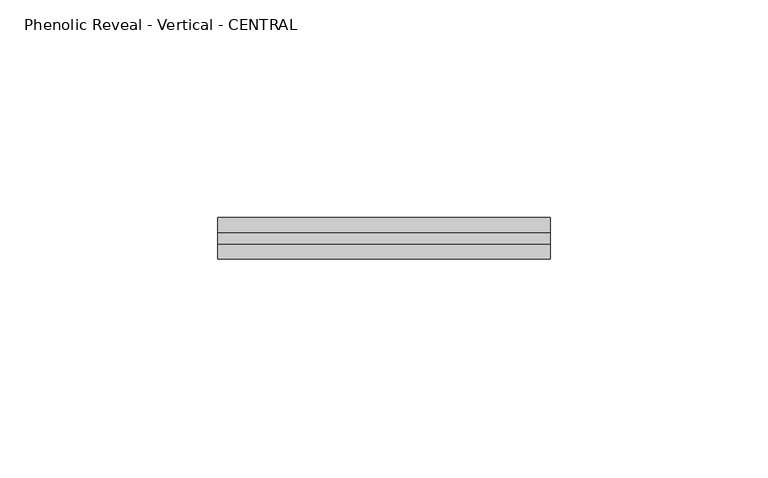
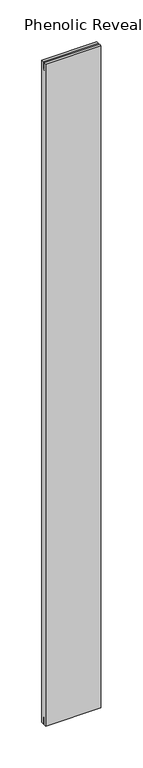
"""IFC4 building model written with IfcOpenShell, lengths in millimetres: proxy geometry, Phenolic Reveal - Vertical - CENTRAL."""

from ifc_helpers import new_model, si_unit, frame, origin, place, context, project, spatial, polyline, outline, extrude, source, transform, mapped, element, save


def phenolic_reveal_vertical_central_9ff93e2f(model_context):
    return source(origin(), model_context, "Body", "SweptSolid", [
        extrude(outline(polyline([(9.525, 966.7875), (9.525, 0.0), (6.0765851, 0.0), (6.0765851, 10.8408985), (3.3757545, 10.8408985), (3.3757545, 0.0), (0.0, 0.0), (0.0, 966.7875), (3.3757545, 966.7875), (3.3757545, 955.9466015), (6.0765851, 955.9466015), (6.0765851, 966.7875), (9.525, 966.7875)])), frame((0.0, 0.0, 0.0), z_axis=(1.0, 0.0, 0.0), x_axis=(0.0, 1.0, 0.0)), (0.0, 0.0, 1.0), 76.2),
    ])


if __name__ == "__main__":
    model = new_model("IFC4")
    model_context = context("Model", 3, world=origin())
    ifc_project = project(units=[si_unit("LENGTHUNIT", "METRE", prefix="MILLI")], contexts=[model_context])
    site = spatial("IfcSite", under=ifc_project)
    building = spatial("IfcBuilding", under=site)
    placement = place(None, origin())
    phenolic_reveal_vertical_central_shape = phenolic_reveal_vertical_central_9ff93e2f(model_context)
    element("IfcBuildingElementProxy", 1, Name="Phenolic Reveal - Vertical - CENTRAL", ObjectType="Phenolic Reveal - Vertical - CENTRAL", at=placement, inside=building, context=model_context, shape_type="MappedRepresentation", body=[
        mapped(phenolic_reveal_vertical_central_shape, transform((0.0, 0.0, 0.0), x_axis=(1.0, 0.0, 0.0), y_axis=(0.0, 1.0, 0.0), z_axis=(0.0, 0.0, 1.0))),
    ])
    save(model, "model.ifc")
